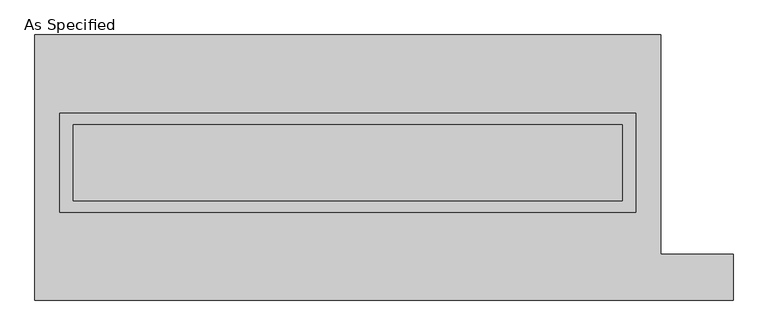
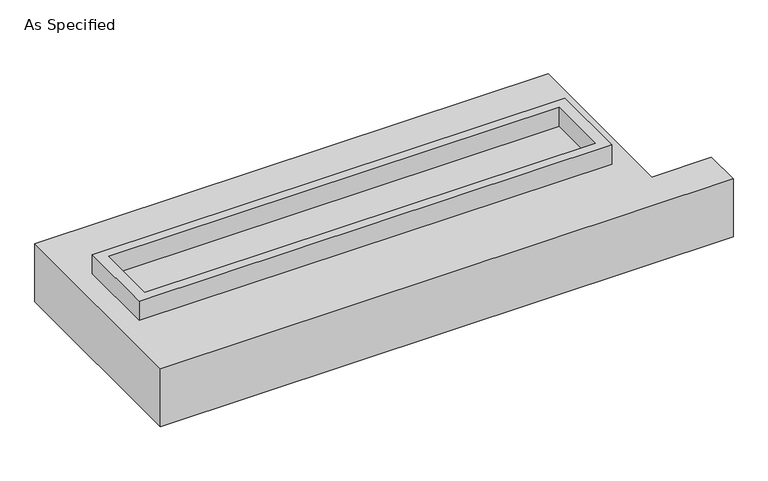
"""IFC4 building model written with IfcOpenShell, lengths in millimetres: proxy geometry, As Specified."""

import ifcopenshell
import ifcopenshell.guid

model = None  # the IFC model being written
_history = None  # IfcOwnerHistory: only IFC2X3 demands one
_inside = {}  # id of a spatial element -> (the spatial element, [elements in it])
_under = {}  # id of a project, library or spatial element -> (it, [spatial elements below it])
_declared = {}  # id of a project -> (the project, [libraries it declares])
_typed = {}  # id of a type object -> (the type object, [elements of that type])
_made_of = {}  # id of a material, layer set ... -> (it, [elements and type objects made of it])


def new_model(schema):
    """Start an empty IFC model of exactly this schema.

    Asked for "IFC4X3", IfcOpenShell would pick the latest addendum, in which some entities
    have other attributes; the version numbers below select the first issue.
    IFC2X3 requires an IfcOwnerHistory on every rooted entity: one is made here for all.
    """
    global model, _history
    if schema == "IFC4X3":
        model = ifcopenshell.file(schema_version=(4, 3, 0, 0))
    else:
        model = ifcopenshell.file(schema=schema)
    _inside.clear()
    _under.clear()
    _declared.clear()
    _typed.clear()
    _made_of.clear()
    _history = None
    if model.schema == "IFC2X3":
        org = make("IfcOrganization", Name="unknown")
        user = make(
            "IfcPersonAndOrganization",
            ThePerson=make("IfcPerson", FamilyName="unknown"),
            TheOrganization=org,
        )
        app = make(
            "IfcApplication",
            ApplicationDeveloper=org,
            Version="unknown",
            ApplicationFullName="unknown",
            ApplicationIdentifier="unknown",
        )
        _history = make(
            "IfcOwnerHistory",
            OwningUser=user,
            OwningApplication=app,
            ChangeAction="ADDED",
            CreationDate=0,
        )
    return model


def make(cls, **values):
    """One entity of the class cls with the attributes given. An attribute that is None is left unset."""
    return model.create_entity(
        cls, **{name: value for name, value in values.items() if value is not None}
    )


def rooted(cls, **values):
    """An entity with a GlobalId (a new one), such as an element, a storey or a relation."""
    return make(cls, GlobalId=ifcopenshell.guid.new(), OwnerHistory=_history, **values)


def si_unit(unit_type, name, prefix=None):
    """IfcSIUnit, for example si_unit("LENGTHUNIT", "METRE", prefix="MILLI")."""
    return make("IfcSIUnit", UnitType=unit_type, Prefix=prefix, Name=name)


def assignment(units):
    """IfcUnitAssignment: the units of a project."""
    return None if units is None else make("IfcUnitAssignment", Units=units)


def point(xyz):
    """IfcCartesianPoint."""
    return None if xyz is None else make("IfcCartesianPoint", Coordinates=xyz)


def direction(xyz):
    """IfcDirection."""
    return None if xyz is None else make("IfcDirection", DirectionRatios=xyz)


def frame(location, z_axis=None, x_axis=None):
    """IfcAxis2Placement3D, a coordinate frame: its origin and axes. An axis left out is left unset."""
    return make(
        "IfcAxis2Placement3D",
        Location=point(location),
        Axis=direction(z_axis),
        RefDirection=direction(x_axis),
    )


def origin():
    """The frame at (0, 0, 0) with its axes left unset."""
    return frame((0.0, 0.0, 0.0))


def place(relative_to, where):
    """IfcLocalPlacement: puts the frame where relative to a parent placement (None: the world)."""
    return make(
        "IfcLocalPlacement", PlacementRelTo=relative_to, RelativePlacement=where
    )


def context(
    kind, dimensions, precision=None, world=None, true_north=None, identifier=None
):
    """IfcGeometricRepresentationContext, for example the 3D "Model" context."""
    return make(
        "IfcGeometricRepresentationContext",
        ContextIdentifier=identifier,
        ContextType=kind,
        CoordinateSpaceDimension=dimensions,
        Precision=precision,
        WorldCoordinateSystem=world,
        TrueNorth=true_north,
    )


def project(units=None, contexts=None):
    """IfcProject with its units and contexts."""
    return rooted(
        "IfcProject",
        Name="project",
        RepresentationContexts=contexts,
        UnitsInContext=assignment(units),
    )


def spatial(cls, under=None, at=None, **own):
    """A site, building, storey or space (cls), placed at a placement, below another one or the project."""
    s = rooted(cls, ObjectPlacement=at, **own)
    if under is not None:
        _under.setdefault(under.id(), (under, []))[1].append(s)
    return s


def polyline(points):
    """IfcPolyline through the points."""
    return make("IfcPolyline", Points=[point(p) for p in points])


def outline(outer, holes=None, kind="AREA"):
    """IfcArbitraryClosedProfileDef: a profile drawn as a closed curve; with holes, ...WithVoids."""
    if holes is None:
        return make("IfcArbitraryClosedProfileDef", ProfileType=kind, OuterCurve=outer)
    return make(
        "IfcArbitraryProfileDefWithVoids",
        ProfileType=kind,
        OuterCurve=outer,
        InnerCurves=holes,
    )


def extrude(swept, where, along, depth):
    """IfcExtrudedAreaSolid: the profile swept, set in the frame where, extruded along a direction by depth."""
    return make(
        "IfcExtrudedAreaSolid",
        SweptArea=swept,
        Position=where,
        ExtrudedDirection=direction(along),
        Depth=depth,
    )


def shape(context_of_items, identifier, shape_type, items):
    """IfcShapeRepresentation: the items that make up one representation, for example the "Body"."""
    return make(
        "IfcShapeRepresentation",
        ContextOfItems=context_of_items,
        RepresentationIdentifier=identifier,
        RepresentationType=shape_type,
        Items=items,
    )


def source(mapping_origin, context_of_items, identifier, shape_type, items):
    """IfcRepresentationMap: a shape defined once, which mapped items show again and again."""
    return make(
        "IfcRepresentationMap",
        MappingOrigin=mapping_origin,
        MappedRepresentation=shape(context_of_items, identifier, shape_type, items),
    )


def transform(
    local_origin,
    x_axis=None,
    y_axis=None,
    z_axis=None,
    scale=None,
    scale2=None,
    scale3=None,
    uniform=True,
):
    """IfcCartesianTransformationOperator3D, or its non-uniform kind. x_axis, y_axis, z_axis: its Axis1, 2, 3."""
    if uniform:
        return make(
            "IfcCartesianTransformationOperator3D",
            Axis1=direction(x_axis),
            Axis2=direction(y_axis),
            LocalOrigin=point(local_origin),
            Scale=scale,
            Axis3=direction(z_axis),
        )
    return make(
        "IfcCartesianTransformationOperator3DnonUniform",
        Axis1=direction(x_axis),
        Axis2=direction(y_axis),
        LocalOrigin=point(local_origin),
        Scale=scale,
        Axis3=direction(z_axis),
        Scale2=scale2,
        Scale3=scale3,
    )


def mapped(mapping_source, mapping_target):
    """IfcMappedItem: shows the shape of a source again, moved by a transform."""
    return make(
        "IfcMappedItem", MappingSource=mapping_source, MappingTarget=mapping_target
    )


def made_of(thing, what):
    """Note that an element or type object is made of a material, layer set ...; save() writes the relation."""
    if what is not None:
        _made_of.setdefault(what.id(), (what, []))[1].append(thing)
    return thing


def element(
    cls,
    number,
    at=None,
    inside=None,
    cuts=None,
    type_object=None,
    material=None,
    context=None,
    identifier="Body",
    shape_type=None,
    held_by="IfcProductDefinitionShape",
    body=None,
    shapes=None,
    **own,
):
    """One element of the class cls, such as IfcWall. Its Tag is "e" and its number.

    at: its placement. inside: the storey or other place that contains it. cuts: it is an
    opening in that element (IfcRelVoidsElement). A single representation is given by context,
    identifier, shape_type and body (its items); several are given by shapes. held_by: the class
    of the entity that holds the representations. save() writes the other relations.
    """
    e = rooted(cls, Tag="e%d" % number, ObjectPlacement=at, **own)
    if body is not None:
        shapes = [shape(context, identifier, shape_type, body)]
    if shapes is not None:
        e.Representation = make(held_by, Representations=shapes)
    if inside is not None:
        _inside.setdefault(inside.id(), (inside, []))[1].append(e)
    if cuts is not None:
        rooted(
            "IfcRelVoidsElement", RelatingBuildingElement=cuts, RelatedOpeningElement=e
        )
    if type_object is not None:
        _typed.setdefault(type_object.id(), (type_object, []))[1].append(e)
    return made_of(e, material)


def aggregate(whole, parts):
    """IfcRelAggregates: a whole, such as a stair, and the parts it consists of."""
    return rooted("IfcRelAggregates", RelatingObject=whole, RelatedObjects=parts)


def save(model, path):
    """Write the relations noted so far, then the file.

    IfcRelAggregates (storeys below a building ...), IfcRelContainedInSpatialStructure (elements
    in a storey), IfcRelDefinesByType, IfcRelAssociatesMaterial and IfcRelDeclares: one each for
    every whole, place, type object, material and project.
    """
    for whole, parts in _under.values():
        aggregate(whole, parts)
    for where, things in _inside.values():
        rooted(
            "IfcRelContainedInSpatialStructure",
            RelatedElements=things,
            RelatingStructure=where,
        )
    for kind, things in _typed.values():
        rooted("IfcRelDefinesByType", RelatedObjects=things, RelatingType=kind)
    for what, things in _made_of.values():
        rooted("IfcRelAssociatesMaterial", RelatedObjects=things, RelatingMaterial=what)
    for by, libraries in _declared.values():
        rooted("IfcRelDeclares", RelatingContext=by, RelatedDefinitions=libraries)
    model.write(path)


def as_specified_8337780e(model_context):
    return source(origin(), model_context, "Body", "SweptSolid", [
        extrude(outline(polyline([(1917.7, 361.95), (1917.7, -298.45), (-1917.7, -298.45), (-1917.7, 361.95), (1917.7, 361.95)]), holes=[polyline([(1828.8, 285.75), (-1828.8, 285.75), (-1828.8, -222.25), (1828.8, -222.25), (1828.8, 285.75)])]), frame((0.0, 0.0, -688.975), z_axis=(0.0, 0.0, 1.0), x_axis=(1.0, 0.0, 0.0)), (0.0, 0.0, 1.0), 165.1),
        extrude(outline(polyline([(1917.7, 361.95), (1917.7, -298.45), (-1917.7, -298.45), (-1917.7, 361.95), (1917.7, 361.95)]), holes=[polyline([(1828.8, 285.75), (-1828.8, 285.75), (-1828.8, -222.25), (1828.8, -222.25), (1828.8, 285.75)])]), frame((0.0, 0.0, -25.4), z_axis=(0.0, 0.0, 1.0), x_axis=(1.0, 0.0, 0.0)), (0.0, 0.0, 1.0), 165.1),
        extrude(outline(polyline([(1828.8, 285.75), (1828.8, -222.25), (-1828.8, -222.25), (-1828.8, 285.75), (1828.8, 285.75)])), frame((0.0, 0.0, -523.875), z_axis=(0.0, 0.0, 1.0), x_axis=(1.0, 0.0, 0.0)), (0.0, 0.0, 1.0), 4.9609375),
        extrude(outline(polyline([(1828.8, 285.75), (1828.8, -222.25), (-1828.8, -222.25), (-1828.8, 285.75), (1828.8, 285.75)])), frame((0.0, 0.0, -30.3609375), z_axis=(0.0, 0.0, 1.0), x_axis=(1.0, 0.0, 0.0)), (0.0, 0.0, 1.0), 4.9609375),
        extrude(outline(polyline([(-2082.8, 882.65), (2082.8, 882.65), (2082.8, -577.85), (2565.4, -577.85), (2565.4, -882.65), (-2082.8, -882.65), (-2082.8, 882.65)]), holes=[polyline([(-1917.7, 361.95), (-1917.7, -298.45), (1917.7, -298.45), (1917.7, 361.95), (-1917.7, 361.95)])]), frame((0.0, 0.0, -523.875), z_axis=(0.0, 0.0, 1.0), x_axis=(1.0, 0.0, 0.0)), (0.0, 0.0, 1.0), 498.475),
    ])


if __name__ == "__main__":
    model = new_model("IFC4")
    model_context = context("Model", 3, world=origin())
    ifc_project = project(units=[si_unit("LENGTHUNIT", "METRE", prefix="MILLI")], contexts=[model_context])
    site = spatial("IfcSite", under=ifc_project)
    building = spatial("IfcBuilding", under=site)
    placement = place(None, origin())
    as_specified_shape = as_specified_8337780e(model_context)
    element("IfcBuildingElementProxy", 1, Name="As Specified", ObjectType="As Specified", at=placement, inside=building, context=model_context, shape_type="MappedRepresentation", body=[
        mapped(as_specified_shape, transform((0.0, 0.0, 0.0), x_axis=(1.0, 0.0, 0.0), y_axis=(0.0, 1.0, 0.0), z_axis=(0.0, 0.0, 1.0))),
    ])
    save(model, "model.ifc")
